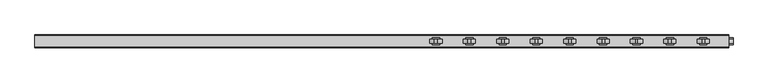
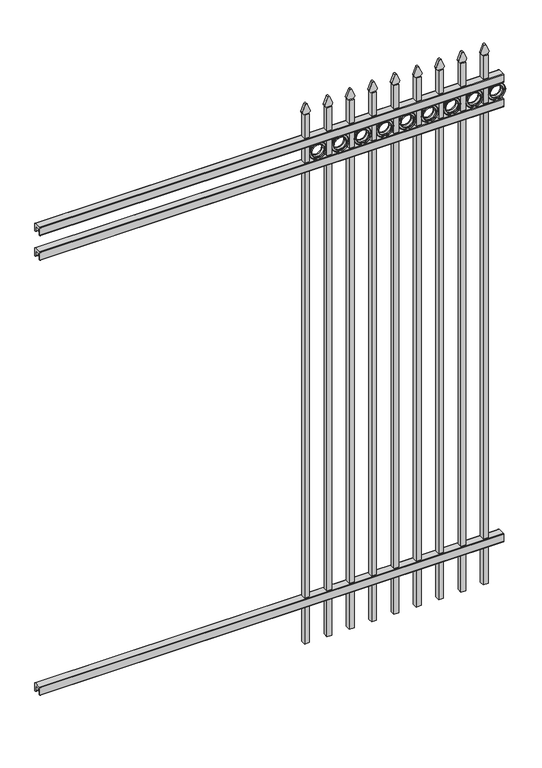
"""IFC4 building model written with IfcOpenShell, lengths in millimetres: railing geometry."""

from ifc_helpers import new_model, si_unit, point, frame, frame_2d, origin, place, context, project, spatial, polyline, circle_curve, trimmed, segment, composite_curve, outline, extrude, source, transform, mapped, element, save


def railing_547e5451(model_context):
    return source(origin(), model_context, "Body", "SweptSolid", [
        extrude(outline(composite_curve([segment(polyline([(4253.9139761, 304.8), (4291.969541, 304.8)]), True, "CONTINUOUS"), segment(trimmed(circle_curve(frame_2d((4291.969541, 301.625)), 3.175), [point((4291.969541, 304.8))], [point((4295.144541, 301.625))], False, "CARTESIAN"), True, "CONTINUOUS"), segment(polyline([(4295.144541, 301.625), (4295.144541, 262.1439893)]), True, "CONTINUOUS"), segment(trimmed(circle_curve(frame_2d((4293.3505518, 262.1439893)), 1.7939893), [point((4295.144541, 262.1439893))], [point((4293.3505518, 260.35))], False, "CARTESIAN"), True, "CONTINUOUS"), segment(polyline([(4293.3505518, 260.35), (4290.7590713, 260.35)]), True, "CONTINUOUS"), segment(trimmed(circle_curve(frame_2d((4290.7590713, 262.1359375)), 1.7859375), [point((4290.7590713, 260.35))], [point((4288.9755813, 262.0424688))], False, "CARTESIAN"), True, "CONTINUOUS"), segment(polyline([(4288.9755813, 262.0424688), (4287.4025867, 292.0569942), (4258.4364954, 292.0569942), (4256.8635007, 262.0424688)]), True, "CONTINUOUS"), segment(trimmed(circle_curve(frame_2d((4255.0800108, 262.1359375)), 1.7859375), [point((4256.8635007, 262.0424688))], [point((4255.0800108, 260.35))], False, "CARTESIAN"), True, "CONTINUOUS"), segment(polyline([(4255.0800108, 260.35), (4252.4804785, 260.35)]), True, "CONTINUOUS"), segment(trimmed(circle_curve(frame_2d((4252.4804785, 262.1359375)), 1.7859375), [point((4252.4804785, 260.35))], [point((4250.694541, 262.1359375))], False, "CARTESIAN"), True, "CONTINUOUS"), segment(polyline([(4250.694541, 262.1359375), (4250.694541, 301.5805649)]), True, "CONTINUOUS"), segment(trimmed(circle_curve(frame_2d((4253.9139761, 301.5805649)), 3.2194351), [point((4250.694541, 301.5805649))], [point((4253.9139761, 304.8))], False, "CARTESIAN"), True, "CONTINUOUS")], self_intersect=False)), frame((-23871.4649936, 0.0, 0.0), z_axis=(1.0, 0.0, 0.0), x_axis=(0.0, 1.0, 0.0)), (0.0, 0.0, 1.0), 2438.4),
        extrude(outline(composite_curve([segment(polyline([(4253.9139761, 2722.5625), (4291.969541, 2722.5625)]), True, "CONTINUOUS"), segment(trimmed(circle_curve(frame_2d((4291.969541, 2719.3875)), 3.175), [point((4291.969541, 2722.5625))], [point((4295.144541, 2719.3875))], False, "CARTESIAN"), True, "CONTINUOUS"), segment(polyline([(4295.144541, 2719.3875), (4295.144541, 2679.9064893)]), True, "CONTINUOUS"), segment(trimmed(circle_curve(frame_2d((4293.3505518, 2679.9064893)), 1.7939893), [point((4295.144541, 2679.9064893))], [point((4293.3505518, 2678.1125))], False, "CARTESIAN"), True, "CONTINUOUS"), segment(polyline([(4293.3505518, 2678.1125), (4290.7590713, 2678.1125)]), True, "CONTINUOUS"), segment(trimmed(circle_curve(frame_2d((4290.7590713, 2679.8984375)), 1.7859375), [point((4290.7590713, 2678.1125))], [point((4288.9755813, 2679.8049688))], False, "CARTESIAN"), True, "CONTINUOUS"), segment(polyline([(4288.9755813, 2679.8049688), (4287.4025867, 2709.8194942), (4258.4364954, 2709.8194942), (4256.8635007, 2679.8049688)]), True, "CONTINUOUS"), segment(trimmed(circle_curve(frame_2d((4255.0800108, 2679.8984375)), 1.7859375), [point((4256.8635007, 2679.8049688))], [point((4255.0800108, 2678.1125))], False, "CARTESIAN"), True, "CONTINUOUS"), segment(polyline([(4255.0800108, 2678.1125), (4252.4804785, 2678.1125)]), True, "CONTINUOUS"), segment(trimmed(circle_curve(frame_2d((4252.4804785, 2679.8984375)), 1.7859375), [point((4252.4804785, 2678.1125))], [point((4250.694541, 2679.8984375))], False, "CARTESIAN"), True, "CONTINUOUS"), segment(polyline([(4250.694541, 2679.8984375), (4250.694541, 2719.3430649)]), True, "CONTINUOUS"), segment(trimmed(circle_curve(frame_2d((4253.9139761, 2719.3430649)), 3.2194351), [point((4250.694541, 2719.3430649))], [point((4253.9139761, 2722.5625))], False, "CARTESIAN"), True, "CONTINUOUS")], self_intersect=False)), frame((-23871.4649936, 0.0, 0.0), z_axis=(1.0, 0.0, 0.0), x_axis=(0.0, 1.0, 0.0)), (0.0, 0.0, 1.0), 2438.4),
        extrude(outline(composite_curve([segment(polyline([(4253.9139761, 2859.0875), (4291.969541, 2859.0875)]), True, "CONTINUOUS"), segment(trimmed(circle_curve(frame_2d((4291.969541, 2855.9125)), 3.175), [point((4291.969541, 2859.0875))], [point((4295.144541, 2855.9125))], False, "CARTESIAN"), True, "CONTINUOUS"), segment(polyline([(4295.144541, 2855.9125), (4295.144541, 2816.4314893)]), True, "CONTINUOUS"), segment(trimmed(circle_curve(frame_2d((4293.3505518, 2816.4314893)), 1.7939893), [point((4295.144541, 2816.4314893))], [point((4293.3505518, 2814.6375))], False, "CARTESIAN"), True, "CONTINUOUS"), segment(polyline([(4293.3505518, 2814.6375), (4290.7590713, 2814.6375)]), True, "CONTINUOUS"), segment(trimmed(circle_curve(frame_2d((4290.7590713, 2816.4234375)), 1.7859375), [point((4290.7590713, 2814.6375))], [point((4288.9755813, 2816.3299688))], False, "CARTESIAN"), True, "CONTINUOUS"), segment(polyline([(4288.9755813, 2816.3299688), (4287.4025867, 2846.3444942), (4258.4364954, 2846.3444942), (4256.8635007, 2816.3299688)]), True, "CONTINUOUS"), segment(trimmed(circle_curve(frame_2d((4255.0800108, 2816.4234375)), 1.7859375), [point((4256.8635007, 2816.3299688))], [point((4255.0800108, 2814.6375))], False, "CARTESIAN"), True, "CONTINUOUS"), segment(polyline([(4255.0800108, 2814.6375), (4252.4804785, 2814.6375)]), True, "CONTINUOUS"), segment(trimmed(circle_curve(frame_2d((4252.4804785, 2816.4234375)), 1.7859375), [point((4252.4804785, 2814.6375))], [point((4250.694541, 2816.4234375))], False, "CARTESIAN"), True, "CONTINUOUS"), segment(polyline([(4250.694541, 2816.4234375), (4250.694541, 2855.8680649)]), True, "CONTINUOUS"), segment(trimmed(circle_curve(frame_2d((4253.9139761, 2855.8680649)), 3.2194351), [point((4250.694541, 2855.8680649))], [point((4253.9139761, 2859.0875))], False, "CARTESIAN"), True, "CONTINUOUS")], self_intersect=False)), frame((-23871.4649936, 0.0, 0.0), z_axis=(1.0, 0.0, 0.0), x_axis=(0.0, 1.0, 0.0)), (0.0, 0.0, 1.0), 2438.4),
        extrude(outline(composite_curve([segment(polyline([(2988.6798417, -21534.6649936), (2988.6798417, -21508.9743116)]), True, "CONTINUOUS"), segment(trimmed(circle_curve(frame_2d((3006.9299402, -21523.1372336)), 23.1009622), [point((2988.6798417, -21508.9743116))], [point((3001.4676176, -21500.6913545))], False, "CARTESIAN"), True, "CONTINUOUS"), segment(polyline([(3001.4676176, -21500.6913545), (3041.9555225, -21517.0105644)]), True, "CONTINUOUS"), segment(trimmed(circle_curve(frame_2d((3038.8045804, -21522.1405764)), 6.0204202), [point((3041.9555225, -21517.0105644))], [point((3041.9555225, -21527.2705884))], False, "CARTESIAN"), True, "CONTINUOUS"), segment(polyline([(3041.9555225, -21527.2705884), (3002.7339948, -21543.2187724)]), True, "CONTINUOUS"), segment(trimmed(circle_curve(frame_2d((3006.9299402, -21520.5020716)), 23.1009622), [point((3002.7339948, -21543.2187724))], [point((2988.6798417, -21534.6649936))], False, "CARTESIAN"), True, "CONTINUOUS")], self_intersect=False)), frame((0.0, 4266.569541, 0.0), z_axis=(0.0, 1.0, 0.0), x_axis=(0.0, 0.0, 1.0)), (0.0, 0.0, 1.0), 12.7),
        extrude(outline(composite_curve([segment(trimmed(circle_curve(frame_2d((2766.1853669, -21463.1692595)), 45.6988591), [point((2766.1853669, -21417.4704004))], [point((2766.1853669, -21508.8681186))], False, "CARTESIAN"), True, "CONTINUOUS"), segment(trimmed(circle_curve(frame_2d((2766.1853669, -21463.1692595)), 45.6988591), [point((2766.1853669, -21508.8681186))], [point((2766.1853669, -21417.4704004))], False, "CARTESIAN"), True, "CONTINUOUS")], self_intersect=False), holes=[composite_curve([segment(trimmed(circle_curve(frame_2d((2766.1853669, -21463.1692595)), 33.0443887), [point((2766.1853669, -21430.1248708))], [point((2766.1853669, -21496.2136482))], True, "CARTESIAN"), True, "CONTINUOUS"), segment(trimmed(circle_curve(frame_2d((2766.1853669, -21463.1692595)), 33.0443887), [point((2766.1853669, -21496.2136482))], [point((2766.1853669, -21430.1248708))], True, "CARTESIAN"), True, "CONTINUOUS")], self_intersect=False)]), frame((0.0, 4266.569541, 0.0), z_axis=(0.0, 1.0, 0.0), x_axis=(0.0, 0.0, 1.0)), (0.0, 0.0, 1.0), 12.7),
        extrude(outline(polyline([(-21534.6649936, 4285.619541), (-21509.2649936, 4285.619541), (-21509.2649936, 4260.219541), (-21534.6649936, 4260.219541), (-21534.6649936, 4285.619541)])), frame((0.0, 0.0, 50.8), z_axis=(0.0, 0.0, 1.0), x_axis=(1.0, 0.0, 0.0)), (0.0, 0.0, 1.0), 2937.6579232),
        extrude(outline(composite_curve([segment(trimmed(circle_curve(frame_2d((2766.1853669, -21463.1692595)), 45.6988591), [point((2766.1853669, -21417.4704004))], [point((2766.1853669, -21508.8681186))], False, "CARTESIAN"), True, "CONTINUOUS"), segment(trimmed(circle_curve(frame_2d((2766.1853669, -21463.1692595)), 45.6988591), [point((2766.1853669, -21508.8681186))], [point((2766.1853669, -21417.4704004))], False, "CARTESIAN"), True, "CONTINUOUS")], self_intersect=False), holes=[composite_curve([segment(trimmed(circle_curve(frame_2d((2766.1853669, -21463.1692595)), 44.101539), [point((2766.1853669, -21419.0677205))], [point((2766.1853669, -21507.2707985))], True, "CARTESIAN"), True, "CONTINUOUS"), segment(trimmed(circle_curve(frame_2d((2766.1853669, -21463.1692595)), 44.101539), [point((2766.1853669, -21507.2707985))], [point((2766.1853669, -21419.0677205))], True, "CARTESIAN"), True, "CONTINUOUS")], self_intersect=False)]), frame((0.0, 4260.219541, 0.0), z_axis=(0.0, 1.0, 0.0), x_axis=(0.0, 0.0, 1.0)), (0.0, 0.0, 1.0), 25.4),
        extrude(outline(composite_curve([segment(trimmed(circle_curve(frame_2d((2766.1853669, -21463.1692595)), 34.6370762), [point((2766.1853669, -21428.5321833))], [point((2766.1853669, -21497.8063357))], False, "CARTESIAN"), True, "CONTINUOUS"), segment(trimmed(circle_curve(frame_2d((2766.1853669, -21463.1692595)), 34.6370762), [point((2766.1853669, -21497.8063357))], [point((2766.1853669, -21428.5321833))], False, "CARTESIAN"), True, "CONTINUOUS")], self_intersect=False), holes=[composite_curve([segment(trimmed(circle_curve(frame_2d((2766.1853669, -21463.1692595)), 33.0443887), [point((2766.1853669, -21430.1248708))], [point((2766.1853669, -21496.2136482))], True, "CARTESIAN"), True, "CONTINUOUS"), segment(trimmed(circle_curve(frame_2d((2766.1853669, -21463.1692595)), 33.0443887), [point((2766.1853669, -21496.2136482))], [point((2766.1853669, -21430.1248708))], True, "CARTESIAN"), True, "CONTINUOUS")], self_intersect=False)]), frame((0.0, 4260.219541, 0.0), z_axis=(0.0, 1.0, 0.0), x_axis=(0.0, 0.0, 1.0)), (0.0, 0.0, 1.0), 25.4),
        extrude(outline(composite_curve([segment(polyline([(2988.6798417, -21652.1399936), (2988.6798417, -21626.4493116)]), True, "CONTINUOUS"), segment(trimmed(circle_curve(frame_2d((3006.9299402, -21640.6122336)), 23.1009622), [point((2988.6798417, -21626.4493116))], [point((3001.4676176, -21618.1663545))], False, "CARTESIAN"), True, "CONTINUOUS"), segment(polyline([(3001.4676176, -21618.1663545), (3041.9555225, -21634.4855644)]), True, "CONTINUOUS"), segment(trimmed(circle_curve(frame_2d((3038.8045804, -21639.6155764)), 6.0204202), [point((3041.9555225, -21634.4855644))], [point((3041.9555225, -21644.7455884))], False, "CARTESIAN"), True, "CONTINUOUS"), segment(polyline([(3041.9555225, -21644.7455884), (3002.7339948, -21660.6937724)]), True, "CONTINUOUS"), segment(trimmed(circle_curve(frame_2d((3006.9299402, -21637.9770716)), 23.1009622), [point((3002.7339948, -21660.6937724))], [point((2988.6798417, -21652.1399936))], False, "CARTESIAN"), True, "CONTINUOUS")], self_intersect=False)), frame((0.0, 4266.569541, 0.0), z_axis=(0.0, 1.0, 0.0), x_axis=(0.0, 0.0, 1.0)), (0.0, 0.0, 1.0), 12.7),
        extrude(outline(composite_curve([segment(trimmed(circle_curve(frame_2d((2766.1853669, -21580.6442595)), 45.6988591), [point((2766.1853669, -21534.9454004))], [point((2766.1853669, -21626.3431186))], False, "CARTESIAN"), True, "CONTINUOUS"), segment(trimmed(circle_curve(frame_2d((2766.1853669, -21580.6442595)), 45.6988591), [point((2766.1853669, -21626.3431186))], [point((2766.1853669, -21534.9454004))], False, "CARTESIAN"), True, "CONTINUOUS")], self_intersect=False), holes=[composite_curve([segment(trimmed(circle_curve(frame_2d((2766.1853669, -21580.6442595)), 33.0443887), [point((2766.1853669, -21547.5998708))], [point((2766.1853669, -21613.6886482))], True, "CARTESIAN"), True, "CONTINUOUS"), segment(trimmed(circle_curve(frame_2d((2766.1853669, -21580.6442595)), 33.0443887), [point((2766.1853669, -21613.6886482))], [point((2766.1853669, -21547.5998708))], True, "CARTESIAN"), True, "CONTINUOUS")], self_intersect=False)]), frame((0.0, 4266.569541, 0.0), z_axis=(0.0, 1.0, 0.0), x_axis=(0.0, 0.0, 1.0)), (0.0, 0.0, 1.0), 12.7),
        extrude(outline(polyline([(-21652.1399936, 4285.619541), (-21626.7399936, 4285.619541), (-21626.7399936, 4260.219541), (-21652.1399936, 4260.219541), (-21652.1399936, 4285.619541)])), frame((0.0, 0.0, 50.8), z_axis=(0.0, 0.0, 1.0), x_axis=(1.0, 0.0, 0.0)), (0.0, 0.0, 1.0), 2937.6579232),
        extrude(outline(composite_curve([segment(trimmed(circle_curve(frame_2d((2766.1853669, -21580.6442595)), 45.6988591), [point((2766.1853669, -21534.9454004))], [point((2766.1853669, -21626.3431186))], False, "CARTESIAN"), True, "CONTINUOUS"), segment(trimmed(circle_curve(frame_2d((2766.1853669, -21580.6442595)), 45.6988591), [point((2766.1853669, -21626.3431186))], [point((2766.1853669, -21534.9454004))], False, "CARTESIAN"), True, "CONTINUOUS")], self_intersect=False), holes=[composite_curve([segment(trimmed(circle_curve(frame_2d((2766.1853669, -21580.6442595)), 44.101539), [point((2766.1853669, -21536.5427205))], [point((2766.1853669, -21624.7457985))], True, "CARTESIAN"), True, "CONTINUOUS"), segment(trimmed(circle_curve(frame_2d((2766.1853669, -21580.6442595)), 44.101539), [point((2766.1853669, -21624.7457985))], [point((2766.1853669, -21536.5427205))], True, "CARTESIAN"), True, "CONTINUOUS")], self_intersect=False)]), frame((0.0, 4260.219541, 0.0), z_axis=(0.0, 1.0, 0.0), x_axis=(0.0, 0.0, 1.0)), (0.0, 0.0, 1.0), 25.4),
        extrude(outline(composite_curve([segment(trimmed(circle_curve(frame_2d((2766.1853669, -21580.6442595)), 34.6370762), [point((2766.1853669, -21546.0071833))], [point((2766.1853669, -21615.2813357))], False, "CARTESIAN"), True, "CONTINUOUS"), segment(trimmed(circle_curve(frame_2d((2766.1853669, -21580.6442595)), 34.6370762), [point((2766.1853669, -21615.2813357))], [point((2766.1853669, -21546.0071833))], False, "CARTESIAN"), True, "CONTINUOUS")], self_intersect=False), holes=[composite_curve([segment(trimmed(circle_curve(frame_2d((2766.1853669, -21580.6442595)), 33.0443887), [point((2766.1853669, -21547.5998708))], [point((2766.1853669, -21613.6886482))], True, "CARTESIAN"), True, "CONTINUOUS"), segment(trimmed(circle_curve(frame_2d((2766.1853669, -21580.6442595)), 33.0443887), [point((2766.1853669, -21613.6886482))], [point((2766.1853669, -21547.5998708))], True, "CARTESIAN"), True, "CONTINUOUS")], self_intersect=False)]), frame((0.0, 4260.219541, 0.0), z_axis=(0.0, 1.0, 0.0), x_axis=(0.0, 0.0, 1.0)), (0.0, 0.0, 1.0), 25.4),
        extrude(outline(composite_curve([segment(polyline([(2988.6798417, -21769.6149936), (2988.6798417, -21743.9243116)]), True, "CONTINUOUS"), segment(trimmed(circle_curve(frame_2d((3006.9299402, -21758.0872336)), 23.1009622), [point((2988.6798417, -21743.9243116))], [point((3001.4676176, -21735.6413545))], False, "CARTESIAN"), True, "CONTINUOUS"), segment(polyline([(3001.4676176, -21735.6413545), (3041.9555225, -21751.9605644)]), True, "CONTINUOUS"), segment(trimmed(circle_curve(frame_2d((3038.8045804, -21757.0905764)), 6.0204202), [point((3041.9555225, -21751.9605644))], [point((3041.9555225, -21762.2205884))], False, "CARTESIAN"), True, "CONTINUOUS"), segment(polyline([(3041.9555225, -21762.2205884), (3002.7339948, -21778.1687724)]), True, "CONTINUOUS"), segment(trimmed(circle_curve(frame_2d((3006.9299402, -21755.4520716)), 23.1009622), [point((3002.7339948, -21778.1687724))], [point((2988.6798417, -21769.6149936))], False, "CARTESIAN"), True, "CONTINUOUS")], self_intersect=False)), frame((0.0, 4266.569541, 0.0), z_axis=(0.0, 1.0, 0.0), x_axis=(0.0, 0.0, 1.0)), (0.0, 0.0, 1.0), 12.7),
        extrude(outline(composite_curve([segment(trimmed(circle_curve(frame_2d((2766.1853669, -21698.1192595)), 45.6988591), [point((2766.1853669, -21652.4204004))], [point((2766.1853669, -21743.8181186))], False, "CARTESIAN"), True, "CONTINUOUS"), segment(trimmed(circle_curve(frame_2d((2766.1853669, -21698.1192595)), 45.6988591), [point((2766.1853669, -21743.8181186))], [point((2766.1853669, -21652.4204004))], False, "CARTESIAN"), True, "CONTINUOUS")], self_intersect=False), holes=[composite_curve([segment(trimmed(circle_curve(frame_2d((2766.1853669, -21698.1192595)), 33.0443887), [point((2766.1853669, -21665.0748708))], [point((2766.1853669, -21731.1636482))], True, "CARTESIAN"), True, "CONTINUOUS"), segment(trimmed(circle_curve(frame_2d((2766.1853669, -21698.1192595)), 33.0443887), [point((2766.1853669, -21731.1636482))], [point((2766.1853669, -21665.0748708))], True, "CARTESIAN"), True, "CONTINUOUS")], self_intersect=False)]), frame((0.0, 4266.569541, 0.0), z_axis=(0.0, 1.0, 0.0), x_axis=(0.0, 0.0, 1.0)), (0.0, 0.0, 1.0), 12.7),
        extrude(outline(polyline([(-21769.6149936, 4285.619541), (-21744.2149936, 4285.619541), (-21744.2149936, 4260.219541), (-21769.6149936, 4260.219541), (-21769.6149936, 4285.619541)])), frame((0.0, 0.0, 50.8), z_axis=(0.0, 0.0, 1.0), x_axis=(1.0, 0.0, 0.0)), (0.0, 0.0, 1.0), 2937.6579232),
        extrude(outline(composite_curve([segment(trimmed(circle_curve(frame_2d((2766.1853669, -21698.1192595)), 45.6988591), [point((2766.1853669, -21652.4204004))], [point((2766.1853669, -21743.8181186))], False, "CARTESIAN"), True, "CONTINUOUS"), segment(trimmed(circle_curve(frame_2d((2766.1853669, -21698.1192595)), 45.6988591), [point((2766.1853669, -21743.8181186))], [point((2766.1853669, -21652.4204004))], False, "CARTESIAN"), True, "CONTINUOUS")], self_intersect=False), holes=[composite_curve([segment(trimmed(circle_curve(frame_2d((2766.1853669, -21698.1192595)), 44.101539), [point((2766.1853669, -21654.0177205))], [point((2766.1853669, -21742.2207985))], True, "CARTESIAN"), True, "CONTINUOUS"), segment(trimmed(circle_curve(frame_2d((2766.1853669, -21698.1192595)), 44.101539), [point((2766.1853669, -21742.2207985))], [point((2766.1853669, -21654.0177205))], True, "CARTESIAN"), True, "CONTINUOUS")], self_intersect=False)]), frame((0.0, 4260.219541, 0.0), z_axis=(0.0, 1.0, 0.0), x_axis=(0.0, 0.0, 1.0)), (0.0, 0.0, 1.0), 25.4),
        extrude(outline(composite_curve([segment(trimmed(circle_curve(frame_2d((2766.1853669, -21698.1192595)), 34.6370762), [point((2766.1853669, -21663.4821833))], [point((2766.1853669, -21732.7563357))], False, "CARTESIAN"), True, "CONTINUOUS"), segment(trimmed(circle_curve(frame_2d((2766.1853669, -21698.1192595)), 34.6370762), [point((2766.1853669, -21732.7563357))], [point((2766.1853669, -21663.4821833))], False, "CARTESIAN"), True, "CONTINUOUS")], self_intersect=False), holes=[composite_curve([segment(trimmed(circle_curve(frame_2d((2766.1853669, -21698.1192595)), 33.0443887), [point((2766.1853669, -21665.0748708))], [point((2766.1853669, -21731.1636482))], True, "CARTESIAN"), True, "CONTINUOUS"), segment(trimmed(circle_curve(frame_2d((2766.1853669, -21698.1192595)), 33.0443887), [point((2766.1853669, -21731.1636482))], [point((2766.1853669, -21665.0748708))], True, "CARTESIAN"), True, "CONTINUOUS")], self_intersect=False)]), frame((0.0, 4260.219541, 0.0), z_axis=(0.0, 1.0, 0.0), x_axis=(0.0, 0.0, 1.0)), (0.0, 0.0, 1.0), 25.4),
        extrude(outline(composite_curve([segment(polyline([(2988.6798417, -21887.0899936), (2988.6798417, -21861.3993116)]), True, "CONTINUOUS"), segment(trimmed(circle_curve(frame_2d((3006.9299402, -21875.5622336)), 23.1009622), [point((2988.6798417, -21861.3993116))], [point((3001.4676176, -21853.1163545))], False, "CARTESIAN"), True, "CONTINUOUS"), segment(polyline([(3001.4676176, -21853.1163545), (3041.9555225, -21869.4355644)]), True, "CONTINUOUS"), segment(trimmed(circle_curve(frame_2d((3038.8045804, -21874.5655764)), 6.0204202), [point((3041.9555225, -21869.4355644))], [point((3041.9555225, -21879.6955884))], False, "CARTESIAN"), True, "CONTINUOUS"), segment(polyline([(3041.9555225, -21879.6955884), (3002.7339948, -21895.6437724)]), True, "CONTINUOUS"), segment(trimmed(circle_curve(frame_2d((3006.9299402, -21872.9270716)), 23.1009622), [point((3002.7339948, -21895.6437724))], [point((2988.6798417, -21887.0899936))], False, "CARTESIAN"), True, "CONTINUOUS")], self_intersect=False)), frame((0.0, 4266.569541, 0.0), z_axis=(0.0, 1.0, 0.0), x_axis=(0.0, 0.0, 1.0)), (0.0, 0.0, 1.0), 12.7),
        extrude(outline(composite_curve([segment(trimmed(circle_curve(frame_2d((2766.1853669, -21815.5942595)), 45.6988591), [point((2766.1853669, -21769.8954004))], [point((2766.1853669, -21861.2931186))], False, "CARTESIAN"), True, "CONTINUOUS"), segment(trimmed(circle_curve(frame_2d((2766.1853669, -21815.5942595)), 45.6988591), [point((2766.1853669, -21861.2931186))], [point((2766.1853669, -21769.8954004))], False, "CARTESIAN"), True, "CONTINUOUS")], self_intersect=False), holes=[composite_curve([segment(trimmed(circle_curve(frame_2d((2766.1853669, -21815.5942595)), 33.0443887), [point((2766.1853669, -21782.5498708))], [point((2766.1853669, -21848.6386482))], True, "CARTESIAN"), True, "CONTINUOUS"), segment(trimmed(circle_curve(frame_2d((2766.1853669, -21815.5942595)), 33.0443887), [point((2766.1853669, -21848.6386482))], [point((2766.1853669, -21782.5498708))], True, "CARTESIAN"), True, "CONTINUOUS")], self_intersect=False)]), frame((0.0, 4266.569541, 0.0), z_axis=(0.0, 1.0, 0.0), x_axis=(0.0, 0.0, 1.0)), (0.0, 0.0, 1.0), 12.7),
        extrude(outline(polyline([(-21887.0899936, 4285.619541), (-21861.6899936, 4285.619541), (-21861.6899936, 4260.219541), (-21887.0899936, 4260.219541), (-21887.0899936, 4285.619541)])), frame((0.0, 0.0, 50.8), z_axis=(0.0, 0.0, 1.0), x_axis=(1.0, 0.0, 0.0)), (0.0, 0.0, 1.0), 2937.6579232),
        extrude(outline(composite_curve([segment(trimmed(circle_curve(frame_2d((2766.1853669, -21815.5942595)), 45.6988591), [point((2766.1853669, -21769.8954004))], [point((2766.1853669, -21861.2931186))], False, "CARTESIAN"), True, "CONTINUOUS"), segment(trimmed(circle_curve(frame_2d((2766.1853669, -21815.5942595)), 45.6988591), [point((2766.1853669, -21861.2931186))], [point((2766.1853669, -21769.8954004))], False, "CARTESIAN"), True, "CONTINUOUS")], self_intersect=False), holes=[composite_curve([segment(trimmed(circle_curve(frame_2d((2766.1853669, -21815.5942595)), 44.101539), [point((2766.1853669, -21771.4927205))], [point((2766.1853669, -21859.6957985))], True, "CARTESIAN"), True, "CONTINUOUS"), segment(trimmed(circle_curve(frame_2d((2766.1853669, -21815.5942595)), 44.101539), [point((2766.1853669, -21859.6957985))], [point((2766.1853669, -21771.4927205))], True, "CARTESIAN"), True, "CONTINUOUS")], self_intersect=False)]), frame((0.0, 4260.219541, 0.0), z_axis=(0.0, 1.0, 0.0), x_axis=(0.0, 0.0, 1.0)), (0.0, 0.0, 1.0), 25.4),
        extrude(outline(composite_curve([segment(trimmed(circle_curve(frame_2d((2766.1853669, -21815.5942595)), 34.6370762), [point((2766.1853669, -21780.9571833))], [point((2766.1853669, -21850.2313357))], False, "CARTESIAN"), True, "CONTINUOUS"), segment(trimmed(circle_curve(frame_2d((2766.1853669, -21815.5942595)), 34.6370762), [point((2766.1853669, -21850.2313357))], [point((2766.1853669, -21780.9571833))], False, "CARTESIAN"), True, "CONTINUOUS")], self_intersect=False), holes=[composite_curve([segment(trimmed(circle_curve(frame_2d((2766.1853669, -21815.5942595)), 33.0443887), [point((2766.1853669, -21782.5498708))], [point((2766.1853669, -21848.6386482))], True, "CARTESIAN"), True, "CONTINUOUS"), segment(trimmed(circle_curve(frame_2d((2766.1853669, -21815.5942595)), 33.0443887), [point((2766.1853669, -21848.6386482))], [point((2766.1853669, -21782.5498708))], True, "CARTESIAN"), True, "CONTINUOUS")], self_intersect=False)]), frame((0.0, 4260.219541, 0.0), z_axis=(0.0, 1.0, 0.0), x_axis=(0.0, 0.0, 1.0)), (0.0, 0.0, 1.0), 25.4),
        extrude(outline(composite_curve([segment(polyline([(2988.6798417, -22004.5649936), (2988.6798417, -21978.8743116)]), True, "CONTINUOUS"), segment(trimmed(circle_curve(frame_2d((3006.9299402, -21993.0372336)), 23.1009622), [point((2988.6798417, -21978.8743116))], [point((3001.4676176, -21970.5913545))], False, "CARTESIAN"), True, "CONTINUOUS"), segment(polyline([(3001.4676176, -21970.5913545), (3041.9555225, -21986.9105644)]), True, "CONTINUOUS"), segment(trimmed(circle_curve(frame_2d((3038.8045804, -21992.0405764)), 6.0204202), [point((3041.9555225, -21986.9105644))], [point((3041.9555225, -21997.1705884))], False, "CARTESIAN"), True, "CONTINUOUS"), segment(polyline([(3041.9555225, -21997.1705884), (3002.7339948, -22013.1187724)]), True, "CONTINUOUS"), segment(trimmed(circle_curve(frame_2d((3006.9299402, -21990.4020716)), 23.1009622), [point((3002.7339948, -22013.1187724))], [point((2988.6798417, -22004.5649936))], False, "CARTESIAN"), True, "CONTINUOUS")], self_intersect=False)), frame((0.0, 4266.569541, 0.0), z_axis=(0.0, 1.0, 0.0), x_axis=(0.0, 0.0, 1.0)), (0.0, 0.0, 1.0), 12.7),
        extrude(outline(composite_curve([segment(trimmed(circle_curve(frame_2d((2766.1853669, -21933.0692595)), 45.6988591), [point((2766.1853669, -21887.3704004))], [point((2766.1853669, -21978.7681186))], False, "CARTESIAN"), True, "CONTINUOUS"), segment(trimmed(circle_curve(frame_2d((2766.1853669, -21933.0692595)), 45.6988591), [point((2766.1853669, -21978.7681186))], [point((2766.1853669, -21887.3704004))], False, "CARTESIAN"), True, "CONTINUOUS")], self_intersect=False), holes=[composite_curve([segment(trimmed(circle_curve(frame_2d((2766.1853669, -21933.0692595)), 33.0443887), [point((2766.1853669, -21900.0248708))], [point((2766.1853669, -21966.1136482))], True, "CARTESIAN"), True, "CONTINUOUS"), segment(trimmed(circle_curve(frame_2d((2766.1853669, -21933.0692595)), 33.0443887), [point((2766.1853669, -21966.1136482))], [point((2766.1853669, -21900.0248708))], True, "CARTESIAN"), True, "CONTINUOUS")], self_intersect=False)]), frame((0.0, 4266.569541, 0.0), z_axis=(0.0, 1.0, 0.0), x_axis=(0.0, 0.0, 1.0)), (0.0, 0.0, 1.0), 12.7),
        extrude(outline(polyline([(-22004.5649936, 4285.619541), (-21979.1649936, 4285.619541), (-21979.1649936, 4260.219541), (-22004.5649936, 4260.219541), (-22004.5649936, 4285.619541)])), frame((0.0, 0.0, 50.8), z_axis=(0.0, 0.0, 1.0), x_axis=(1.0, 0.0, 0.0)), (0.0, 0.0, 1.0), 2937.6579232),
        extrude(outline(composite_curve([segment(trimmed(circle_curve(frame_2d((2766.1853669, -21933.0692595)), 45.6988591), [point((2766.1853669, -21887.3704004))], [point((2766.1853669, -21978.7681186))], False, "CARTESIAN"), True, "CONTINUOUS"), segment(trimmed(circle_curve(frame_2d((2766.1853669, -21933.0692595)), 45.6988591), [point((2766.1853669, -21978.7681186))], [point((2766.1853669, -21887.3704004))], False, "CARTESIAN"), True, "CONTINUOUS")], self_intersect=False), holes=[composite_curve([segment(trimmed(circle_curve(frame_2d((2766.1853669, -21933.0692595)), 44.101539), [point((2766.1853669, -21888.9677205))], [point((2766.1853669, -21977.1707985))], True, "CARTESIAN"), True, "CONTINUOUS"), segment(trimmed(circle_curve(frame_2d((2766.1853669, -21933.0692595)), 44.101539), [point((2766.1853669, -21977.1707985))], [point((2766.1853669, -21888.9677205))], True, "CARTESIAN"), True, "CONTINUOUS")], self_intersect=False)]), frame((0.0, 4260.219541, 0.0), z_axis=(0.0, 1.0, 0.0), x_axis=(0.0, 0.0, 1.0)), (0.0, 0.0, 1.0), 25.4),
        extrude(outline(composite_curve([segment(trimmed(circle_curve(frame_2d((2766.1853669, -21933.0692595)), 34.6370762), [point((2766.1853669, -21898.4321833))], [point((2766.1853669, -21967.7063357))], False, "CARTESIAN"), True, "CONTINUOUS"), segment(trimmed(circle_curve(frame_2d((2766.1853669, -21933.0692595)), 34.6370762), [point((2766.1853669, -21967.7063357))], [point((2766.1853669, -21898.4321833))], False, "CARTESIAN"), True, "CONTINUOUS")], self_intersect=False), holes=[composite_curve([segment(trimmed(circle_curve(frame_2d((2766.1853669, -21933.0692595)), 33.0443887), [point((2766.1853669, -21900.0248708))], [point((2766.1853669, -21966.1136482))], True, "CARTESIAN"), True, "CONTINUOUS"), segment(trimmed(circle_curve(frame_2d((2766.1853669, -21933.0692595)), 33.0443887), [point((2766.1853669, -21966.1136482))], [point((2766.1853669, -21900.0248708))], True, "CARTESIAN"), True, "CONTINUOUS")], self_intersect=False)]), frame((0.0, 4260.219541, 0.0), z_axis=(0.0, 1.0, 0.0), x_axis=(0.0, 0.0, 1.0)), (0.0, 0.0, 1.0), 25.4),
        extrude(outline(composite_curve([segment(polyline([(2988.6798417, -22122.0399936), (2988.6798417, -22096.3493116)]), True, "CONTINUOUS"), segment(trimmed(circle_curve(frame_2d((3006.9299402, -22110.5122336)), 23.1009622), [point((2988.6798417, -22096.3493116))], [point((3001.4676176, -22088.0663545))], False, "CARTESIAN"), True, "CONTINUOUS"), segment(polyline([(3001.4676176, -22088.0663545), (3041.9555225, -22104.3855644)]), True, "CONTINUOUS"), segment(trimmed(circle_curve(frame_2d((3038.8045804, -22109.5155764)), 6.0204202), [point((3041.9555225, -22104.3855644))], [point((3041.9555225, -22114.6455884))], False, "CARTESIAN"), True, "CONTINUOUS"), segment(polyline([(3041.9555225, -22114.6455884), (3002.7339948, -22130.5937724)]), True, "CONTINUOUS"), segment(trimmed(circle_curve(frame_2d((3006.9299402, -22107.8770716)), 23.1009622), [point((3002.7339948, -22130.5937724))], [point((2988.6798417, -22122.0399936))], False, "CARTESIAN"), True, "CONTINUOUS")], self_intersect=False)), frame((0.0, 4266.569541, 0.0), z_axis=(0.0, 1.0, 0.0), x_axis=(0.0, 0.0, 1.0)), (0.0, 0.0, 1.0), 12.7),
        extrude(outline(composite_curve([segment(trimmed(circle_curve(frame_2d((2766.1853669, -22050.5442595)), 45.6988591), [point((2766.1853669, -22004.8454004))], [point((2766.1853669, -22096.2431186))], False, "CARTESIAN"), True, "CONTINUOUS"), segment(trimmed(circle_curve(frame_2d((2766.1853669, -22050.5442595)), 45.6988591), [point((2766.1853669, -22096.2431186))], [point((2766.1853669, -22004.8454004))], False, "CARTESIAN"), True, "CONTINUOUS")], self_intersect=False), holes=[composite_curve([segment(trimmed(circle_curve(frame_2d((2766.1853669, -22050.5442595)), 33.0443887), [point((2766.1853669, -22017.4998708))], [point((2766.1853669, -22083.5886482))], True, "CARTESIAN"), True, "CONTINUOUS"), segment(trimmed(circle_curve(frame_2d((2766.1853669, -22050.5442595)), 33.0443887), [point((2766.1853669, -22083.5886482))], [point((2766.1853669, -22017.4998708))], True, "CARTESIAN"), True, "CONTINUOUS")], self_intersect=False)]), frame((0.0, 4266.569541, 0.0), z_axis=(0.0, 1.0, 0.0), x_axis=(0.0, 0.0, 1.0)), (0.0, 0.0, 1.0), 12.7),
        extrude(outline(polyline([(-22122.0399936, 4285.619541), (-22096.6399936, 4285.619541), (-22096.6399936, 4260.219541), (-22122.0399936, 4260.219541), (-22122.0399936, 4285.619541)])), frame((0.0, 0.0, 50.8), z_axis=(0.0, 0.0, 1.0), x_axis=(1.0, 0.0, 0.0)), (0.0, 0.0, 1.0), 2937.6579232),
        extrude(outline(composite_curve([segment(trimmed(circle_curve(frame_2d((2766.1853669, -22050.5442595)), 45.6988591), [point((2766.1853669, -22004.8454004))], [point((2766.1853669, -22096.2431186))], False, "CARTESIAN"), True, "CONTINUOUS"), segment(trimmed(circle_curve(frame_2d((2766.1853669, -22050.5442595)), 45.6988591), [point((2766.1853669, -22096.2431186))], [point((2766.1853669, -22004.8454004))], False, "CARTESIAN"), True, "CONTINUOUS")], self_intersect=False), holes=[composite_curve([segment(trimmed(circle_curve(frame_2d((2766.1853669, -22050.5442595)), 44.101539), [point((2766.1853669, -22006.4427205))], [point((2766.1853669, -22094.6457985))], True, "CARTESIAN"), True, "CONTINUOUS"), segment(trimmed(circle_curve(frame_2d((2766.1853669, -22050.5442595)), 44.101539), [point((2766.1853669, -22094.6457985))], [point((2766.1853669, -22006.4427205))], True, "CARTESIAN"), True, "CONTINUOUS")], self_intersect=False)]), frame((0.0, 4260.219541, 0.0), z_axis=(0.0, 1.0, 0.0), x_axis=(0.0, 0.0, 1.0)), (0.0, 0.0, 1.0), 25.4),
        extrude(outline(composite_curve([segment(trimmed(circle_curve(frame_2d((2766.1853669, -22050.5442595)), 34.6370762), [point((2766.1853669, -22015.9071833))], [point((2766.1853669, -22085.1813357))], False, "CARTESIAN"), True, "CONTINUOUS"), segment(trimmed(circle_curve(frame_2d((2766.1853669, -22050.5442595)), 34.6370762), [point((2766.1853669, -22085.1813357))], [point((2766.1853669, -22015.9071833))], False, "CARTESIAN"), True, "CONTINUOUS")], self_intersect=False), holes=[composite_curve([segment(trimmed(circle_curve(frame_2d((2766.1853669, -22050.5442595)), 33.0443887), [point((2766.1853669, -22017.4998708))], [point((2766.1853669, -22083.5886482))], True, "CARTESIAN"), True, "CONTINUOUS"), segment(trimmed(circle_curve(frame_2d((2766.1853669, -22050.5442595)), 33.0443887), [point((2766.1853669, -22083.5886482))], [point((2766.1853669, -22017.4998708))], True, "CARTESIAN"), True, "CONTINUOUS")], self_intersect=False)]), frame((0.0, 4260.219541, 0.0), z_axis=(0.0, 1.0, 0.0), x_axis=(0.0, 0.0, 1.0)), (0.0, 0.0, 1.0), 25.4),
        extrude(outline(composite_curve([segment(polyline([(2988.6798417, -22239.5149936), (2988.6798417, -22213.8243116)]), True, "CONTINUOUS"), segment(trimmed(circle_curve(frame_2d((3006.9299402, -22227.9872336)), 23.1009622), [point((2988.6798417, -22213.8243116))], [point((3001.4676176, -22205.5413545))], False, "CARTESIAN"), True, "CONTINUOUS"), segment(polyline([(3001.4676176, -22205.5413545), (3041.9555225, -22221.8605644)]), True, "CONTINUOUS"), segment(trimmed(circle_curve(frame_2d((3038.8045804, -22226.9905764)), 6.0204202), [point((3041.9555225, -22221.8605644))], [point((3041.9555225, -22232.1205884))], False, "CARTESIAN"), True, "CONTINUOUS"), segment(polyline([(3041.9555225, -22232.1205884), (3002.7339948, -22248.0687724)]), True, "CONTINUOUS"), segment(trimmed(circle_curve(frame_2d((3006.9299402, -22225.3520716)), 23.1009622), [point((3002.7339948, -22248.0687724))], [point((2988.6798417, -22239.5149936))], False, "CARTESIAN"), True, "CONTINUOUS")], self_intersect=False)), frame((0.0, 4266.569541, 0.0), z_axis=(0.0, 1.0, 0.0), x_axis=(0.0, 0.0, 1.0)), (0.0, 0.0, 1.0), 12.7),
        extrude(outline(composite_curve([segment(trimmed(circle_curve(frame_2d((2766.1853669, -22168.0192595)), 45.6988591), [point((2766.1853669, -22122.3204004))], [point((2766.1853669, -22213.7181186))], False, "CARTESIAN"), True, "CONTINUOUS"), segment(trimmed(circle_curve(frame_2d((2766.1853669, -22168.0192595)), 45.6988591), [point((2766.1853669, -22213.7181186))], [point((2766.1853669, -22122.3204004))], False, "CARTESIAN"), True, "CONTINUOUS")], self_intersect=False), holes=[composite_curve([segment(trimmed(circle_curve(frame_2d((2766.1853669, -22168.0192595)), 33.0443887), [point((2766.1853669, -22134.9748708))], [point((2766.1853669, -22201.0636482))], True, "CARTESIAN"), True, "CONTINUOUS"), segment(trimmed(circle_curve(frame_2d((2766.1853669, -22168.0192595)), 33.0443887), [point((2766.1853669, -22201.0636482))], [point((2766.1853669, -22134.9748708))], True, "CARTESIAN"), True, "CONTINUOUS")], self_intersect=False)]), frame((0.0, 4266.569541, 0.0), z_axis=(0.0, 1.0, 0.0), x_axis=(0.0, 0.0, 1.0)), (0.0, 0.0, 1.0), 12.7),
        extrude(outline(polyline([(-22239.5149936, 4285.619541), (-22214.1149936, 4285.619541), (-22214.1149936, 4260.219541), (-22239.5149936, 4260.219541), (-22239.5149936, 4285.619541)])), frame((0.0, 0.0, 50.8), z_axis=(0.0, 0.0, 1.0), x_axis=(1.0, 0.0, 0.0)), (0.0, 0.0, 1.0), 2937.6579232),
        extrude(outline(composite_curve([segment(trimmed(circle_curve(frame_2d((2766.1853669, -22168.0192595)), 45.6988591), [point((2766.1853669, -22122.3204004))], [point((2766.1853669, -22213.7181186))], False, "CARTESIAN"), True, "CONTINUOUS"), segment(trimmed(circle_curve(frame_2d((2766.1853669, -22168.0192595)), 45.6988591), [point((2766.1853669, -22213.7181186))], [point((2766.1853669, -22122.3204004))], False, "CARTESIAN"), True, "CONTINUOUS")], self_intersect=False), holes=[composite_curve([segment(trimmed(circle_curve(frame_2d((2766.1853669, -22168.0192595)), 44.101539), [point((2766.1853669, -22123.9177205))], [point((2766.1853669, -22212.1207985))], True, "CARTESIAN"), True, "CONTINUOUS"), segment(trimmed(circle_curve(frame_2d((2766.1853669, -22168.0192595)), 44.101539), [point((2766.1853669, -22212.1207985))], [point((2766.1853669, -22123.9177205))], True, "CARTESIAN"), True, "CONTINUOUS")], self_intersect=False)]), frame((0.0, 4260.219541, 0.0), z_axis=(0.0, 1.0, 0.0), x_axis=(0.0, 0.0, 1.0)), (0.0, 0.0, 1.0), 25.4),
        extrude(outline(composite_curve([segment(trimmed(circle_curve(frame_2d((2766.1853669, -22168.0192595)), 34.6370762), [point((2766.1853669, -22133.3821833))], [point((2766.1853669, -22202.6563357))], False, "CARTESIAN"), True, "CONTINUOUS"), segment(trimmed(circle_curve(frame_2d((2766.1853669, -22168.0192595)), 34.6370762), [point((2766.1853669, -22202.6563357))], [point((2766.1853669, -22133.3821833))], False, "CARTESIAN"), True, "CONTINUOUS")], self_intersect=False), holes=[composite_curve([segment(trimmed(circle_curve(frame_2d((2766.1853669, -22168.0192595)), 33.0443887), [point((2766.1853669, -22134.9748708))], [point((2766.1853669, -22201.0636482))], True, "CARTESIAN"), True, "CONTINUOUS"), segment(trimmed(circle_curve(frame_2d((2766.1853669, -22168.0192595)), 33.0443887), [point((2766.1853669, -22201.0636482))], [point((2766.1853669, -22134.9748708))], True, "CARTESIAN"), True, "CONTINUOUS")], self_intersect=False)]), frame((0.0, 4260.219541, 0.0), z_axis=(0.0, 1.0, 0.0), x_axis=(0.0, 0.0, 1.0)), (0.0, 0.0, 1.0), 25.4),
        extrude(outline(composite_curve([segment(polyline([(2988.6798417, -22356.9899936), (2988.6798417, -22331.2993116)]), True, "CONTINUOUS"), segment(trimmed(circle_curve(frame_2d((3006.9299402, -22345.4622336)), 23.1009622), [point((2988.6798417, -22331.2993116))], [point((3001.4676176, -22323.0163545))], False, "CARTESIAN"), True, "CONTINUOUS"), segment(polyline([(3001.4676176, -22323.0163545), (3041.9555225, -22339.3355644)]), True, "CONTINUOUS"), segment(trimmed(circle_curve(frame_2d((3038.8045804, -22344.4655764)), 6.0204202), [point((3041.9555225, -22339.3355644))], [point((3041.9555225, -22349.5955884))], False, "CARTESIAN"), True, "CONTINUOUS"), segment(polyline([(3041.9555225, -22349.5955884), (3002.7339948, -22365.5437724)]), True, "CONTINUOUS"), segment(trimmed(circle_curve(frame_2d((3006.9299402, -22342.8270716)), 23.1009622), [point((3002.7339948, -22365.5437724))], [point((2988.6798417, -22356.9899936))], False, "CARTESIAN"), True, "CONTINUOUS")], self_intersect=False)), frame((0.0, 4266.569541, 0.0), z_axis=(0.0, 1.0, 0.0), x_axis=(0.0, 0.0, 1.0)), (0.0, 0.0, 1.0), 12.7),
        extrude(outline(composite_curve([segment(trimmed(circle_curve(frame_2d((2766.1853669, -22285.4942595)), 45.6988591), [point((2766.1853669, -22239.7954004))], [point((2766.1853669, -22331.1931186))], False, "CARTESIAN"), True, "CONTINUOUS"), segment(trimmed(circle_curve(frame_2d((2766.1853669, -22285.4942595)), 45.6988591), [point((2766.1853669, -22331.1931186))], [point((2766.1853669, -22239.7954004))], False, "CARTESIAN"), True, "CONTINUOUS")], self_intersect=False), holes=[composite_curve([segment(trimmed(circle_curve(frame_2d((2766.1853669, -22285.4942595)), 33.0443887), [point((2766.1853669, -22252.4498708))], [point((2766.1853669, -22318.5386482))], True, "CARTESIAN"), True, "CONTINUOUS"), segment(trimmed(circle_curve(frame_2d((2766.1853669, -22285.4942595)), 33.0443887), [point((2766.1853669, -22318.5386482))], [point((2766.1853669, -22252.4498708))], True, "CARTESIAN"), True, "CONTINUOUS")], self_intersect=False)]), frame((0.0, 4266.569541, 0.0), z_axis=(0.0, 1.0, 0.0), x_axis=(0.0, 0.0, 1.0)), (0.0, 0.0, 1.0), 12.7),
        extrude(outline(polyline([(-22356.9899936, 4285.619541), (-22331.5899936, 4285.619541), (-22331.5899936, 4260.219541), (-22356.9899936, 4260.219541), (-22356.9899936, 4285.619541)])), frame((0.0, 0.0, 50.8), z_axis=(0.0, 0.0, 1.0), x_axis=(1.0, 0.0, 0.0)), (0.0, 0.0, 1.0), 2937.6579232),
        extrude(outline(composite_curve([segment(trimmed(circle_curve(frame_2d((2766.1853669, -22285.4942595)), 45.6988591), [point((2766.1853669, -22239.7954004))], [point((2766.1853669, -22331.1931186))], False, "CARTESIAN"), True, "CONTINUOUS"), segment(trimmed(circle_curve(frame_2d((2766.1853669, -22285.4942595)), 45.6988591), [point((2766.1853669, -22331.1931186))], [point((2766.1853669, -22239.7954004))], False, "CARTESIAN"), True, "CONTINUOUS")], self_intersect=False), holes=[composite_curve([segment(trimmed(circle_curve(frame_2d((2766.1853669, -22285.4942595)), 44.101539), [point((2766.1853669, -22241.3927205))], [point((2766.1853669, -22329.5957985))], True, "CARTESIAN"), True, "CONTINUOUS"), segment(trimmed(circle_curve(frame_2d((2766.1853669, -22285.4942595)), 44.101539), [point((2766.1853669, -22329.5957985))], [point((2766.1853669, -22241.3927205))], True, "CARTESIAN"), True, "CONTINUOUS")], self_intersect=False)]), frame((0.0, 4260.219541, 0.0), z_axis=(0.0, 1.0, 0.0), x_axis=(0.0, 0.0, 1.0)), (0.0, 0.0, 1.0), 25.4),
        extrude(outline(composite_curve([segment(trimmed(circle_curve(frame_2d((2766.1853669, -22285.4942595)), 34.6370762), [point((2766.1853669, -22250.8571833))], [point((2766.1853669, -22320.1313357))], False, "CARTESIAN"), True, "CONTINUOUS"), segment(trimmed(circle_curve(frame_2d((2766.1853669, -22285.4942595)), 34.6370762), [point((2766.1853669, -22320.1313357))], [point((2766.1853669, -22250.8571833))], False, "CARTESIAN"), True, "CONTINUOUS")], self_intersect=False), holes=[composite_curve([segment(trimmed(circle_curve(frame_2d((2766.1853669, -22285.4942595)), 33.0443887), [point((2766.1853669, -22252.4498708))], [point((2766.1853669, -22318.5386482))], True, "CARTESIAN"), True, "CONTINUOUS"), segment(trimmed(circle_curve(frame_2d((2766.1853669, -22285.4942595)), 33.0443887), [point((2766.1853669, -22318.5386482))], [point((2766.1853669, -22252.4498708))], True, "CARTESIAN"), True, "CONTINUOUS")], self_intersect=False)]), frame((0.0, 4260.219541, 0.0), z_axis=(0.0, 1.0, 0.0), x_axis=(0.0, 0.0, 1.0)), (0.0, 0.0, 1.0), 25.4),
        extrude(outline(composite_curve([segment(polyline([(2988.6798417, -22474.4649936), (2988.6798417, -22448.7743116)]), True, "CONTINUOUS"), segment(trimmed(circle_curve(frame_2d((3006.9299402, -22462.9372336)), 23.1009622), [point((2988.6798417, -22448.7743116))], [point((3001.4676176, -22440.4913545))], False, "CARTESIAN"), True, "CONTINUOUS"), segment(polyline([(3001.4676176, -22440.4913545), (3041.9555225, -22456.8105644)]), True, "CONTINUOUS"), segment(trimmed(circle_curve(frame_2d((3038.8045804, -22461.9405764)), 6.0204202), [point((3041.9555225, -22456.8105644))], [point((3041.9555225, -22467.0705884))], False, "CARTESIAN"), True, "CONTINUOUS"), segment(polyline([(3041.9555225, -22467.0705884), (3002.7339948, -22483.0187724)]), True, "CONTINUOUS"), segment(trimmed(circle_curve(frame_2d((3006.9299402, -22460.3020716)), 23.1009622), [point((3002.7339948, -22483.0187724))], [point((2988.6798417, -22474.4649936))], False, "CARTESIAN"), True, "CONTINUOUS")], self_intersect=False)), frame((0.0, 4266.569541, 0.0), z_axis=(0.0, 1.0, 0.0), x_axis=(0.0, 0.0, 1.0)), (0.0, 0.0, 1.0), 12.7),
        extrude(outline(composite_curve([segment(trimmed(circle_curve(frame_2d((2766.1853669, -22402.9692595)), 45.6988591), [point((2766.1853669, -22357.2704004))], [point((2766.1853669, -22448.6681186))], False, "CARTESIAN"), True, "CONTINUOUS"), segment(trimmed(circle_curve(frame_2d((2766.1853669, -22402.9692595)), 45.6988591), [point((2766.1853669, -22448.6681186))], [point((2766.1853669, -22357.2704004))], False, "CARTESIAN"), True, "CONTINUOUS")], self_intersect=False), holes=[composite_curve([segment(trimmed(circle_curve(frame_2d((2766.1853669, -22402.9692595)), 33.0443887), [point((2766.1853669, -22369.9248708))], [point((2766.1853669, -22436.0136482))], True, "CARTESIAN"), True, "CONTINUOUS"), segment(trimmed(circle_curve(frame_2d((2766.1853669, -22402.9692595)), 33.0443887), [point((2766.1853669, -22436.0136482))], [point((2766.1853669, -22369.9248708))], True, "CARTESIAN"), True, "CONTINUOUS")], self_intersect=False)]), frame((0.0, 4266.569541, 0.0), z_axis=(0.0, 1.0, 0.0), x_axis=(0.0, 0.0, 1.0)), (0.0, 0.0, 1.0), 12.7),
        extrude(outline(polyline([(-22474.4649936, 4285.619541), (-22449.0649936, 4285.619541), (-22449.0649936, 4260.219541), (-22474.4649936, 4260.219541), (-22474.4649936, 4285.619541)])), frame((0.0, 0.0, 50.8), z_axis=(0.0, 0.0, 1.0), x_axis=(1.0, 0.0, 0.0)), (0.0, 0.0, 1.0), 2937.6579232),
        extrude(outline(composite_curve([segment(trimmed(circle_curve(frame_2d((2766.1853669, -22402.9692595)), 45.6988591), [point((2766.1853669, -22357.2704004))], [point((2766.1853669, -22448.6681186))], False, "CARTESIAN"), True, "CONTINUOUS"), segment(trimmed(circle_curve(frame_2d((2766.1853669, -22402.9692595)), 45.6988591), [point((2766.1853669, -22448.6681186))], [point((2766.1853669, -22357.2704004))], False, "CARTESIAN"), True, "CONTINUOUS")], self_intersect=False), holes=[composite_curve([segment(trimmed(circle_curve(frame_2d((2766.1853669, -22402.9692595)), 44.101539), [point((2766.1853669, -22358.8677205))], [point((2766.1853669, -22447.0707985))], True, "CARTESIAN"), True, "CONTINUOUS"), segment(trimmed(circle_curve(frame_2d((2766.1853669, -22402.9692595)), 44.101539), [point((2766.1853669, -22447.0707985))], [point((2766.1853669, -22358.8677205))], True, "CARTESIAN"), True, "CONTINUOUS")], self_intersect=False)]), frame((0.0, 4260.219541, 0.0), z_axis=(0.0, 1.0, 0.0), x_axis=(0.0, 0.0, 1.0)), (0.0, 0.0, 1.0), 25.4),
        extrude(outline(composite_curve([segment(trimmed(circle_curve(frame_2d((2766.1853669, -22402.9692595)), 34.6370762), [point((2766.1853669, -22368.3321833))], [point((2766.1853669, -22437.6063357))], False, "CARTESIAN"), True, "CONTINUOUS"), segment(trimmed(circle_curve(frame_2d((2766.1853669, -22402.9692595)), 34.6370762), [point((2766.1853669, -22437.6063357))], [point((2766.1853669, -22368.3321833))], False, "CARTESIAN"), True, "CONTINUOUS")], self_intersect=False), holes=[composite_curve([segment(trimmed(circle_curve(frame_2d((2766.1853669, -22402.9692595)), 33.0443887), [point((2766.1853669, -22369.9248708))], [point((2766.1853669, -22436.0136482))], True, "CARTESIAN"), True, "CONTINUOUS"), segment(trimmed(circle_curve(frame_2d((2766.1853669, -22402.9692595)), 33.0443887), [point((2766.1853669, -22436.0136482))], [point((2766.1853669, -22369.9248708))], True, "CARTESIAN"), True, "CONTINUOUS")], self_intersect=False)]), frame((0.0, 4260.219541, 0.0), z_axis=(0.0, 1.0, 0.0), x_axis=(0.0, 0.0, 1.0)), (0.0, 0.0, 1.0), 25.4),
    ])


if __name__ == "__main__":
    model = new_model("IFC4")
    model_context = context("Model", 3, world=origin())
    ifc_project = project(units=[si_unit("LENGTHUNIT", "METRE", prefix="MILLI")], contexts=[model_context])
    site = spatial("IfcSite", under=ifc_project)
    building = spatial("IfcBuilding", under=site)
    placement = place(None, origin())
    railing_shape = railing_547e5451(model_context)
    element("IfcRailing", 1, at=placement, inside=building, context=model_context, shape_type="MappedRepresentation", body=[
        mapped(railing_shape, transform((0.0, 0.0, 0.0), x_axis=(1.0, 0.0, 0.0), y_axis=(0.0, 1.0, 0.0), z_axis=(0.0, 0.0, 1.0))),
    ])
    save(model, "model.ifc")
